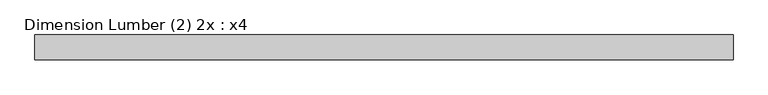
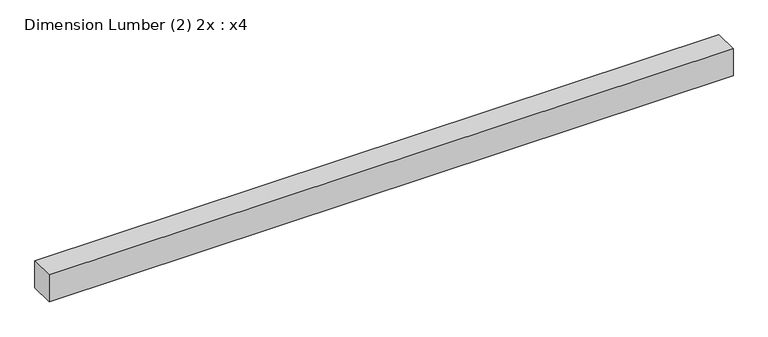
"""IFC4 building model written with IfcOpenShell, lengths in millimetres: beam geometry, Dimension Lumber (2) 2x : x4."""

from ifc_helpers import new_model, si_unit, frame, origin, place, context, project, spatial, polyline, outline, extrude, source, transform, mapped, element, save


def dimension_lumber_2_2x_x4_1314c508(model_context):
    return source(origin(), model_context, "Body", "SweptSolid", [
        extrude(outline(polyline([(1046.1117, 38.1), (1046.1117, -38.1), (-1084.2117, -38.1), (-1084.2117, 38.1), (1046.1117, 38.1)])), frame((0.0, 0.0, -44.45), z_axis=(0.0, 0.0, 1.0), x_axis=(1.0, 0.0, 0.0)), (0.0, 0.0, 1.0), 88.9),
    ])


if __name__ == "__main__":
    model = new_model("IFC4")
    model_context = context("Model", 3, world=origin())
    ifc_project = project(units=[si_unit("LENGTHUNIT", "METRE", prefix="MILLI")], contexts=[model_context])
    site = spatial("IfcSite", under=ifc_project)
    building = spatial("IfcBuilding", under=site)
    placement = place(None, origin())
    dimension_lumber_2_2x_x4_shape = dimension_lumber_2_2x_x4_1314c508(model_context)
    element("IfcBeam", 1, ObjectType="Dimension Lumber (2) 2x : x4", at=placement, inside=building, context=model_context, shape_type="MappedRepresentation", body=[
        mapped(dimension_lumber_2_2x_x4_shape, transform((0.0, 0.0, 0.0), x_axis=(1.0, 0.0, 0.0), y_axis=(0.0, 1.0, 0.0), z_axis=(0.0, 0.0, 1.0))),
    ])
    save(model, "model.ifc")
